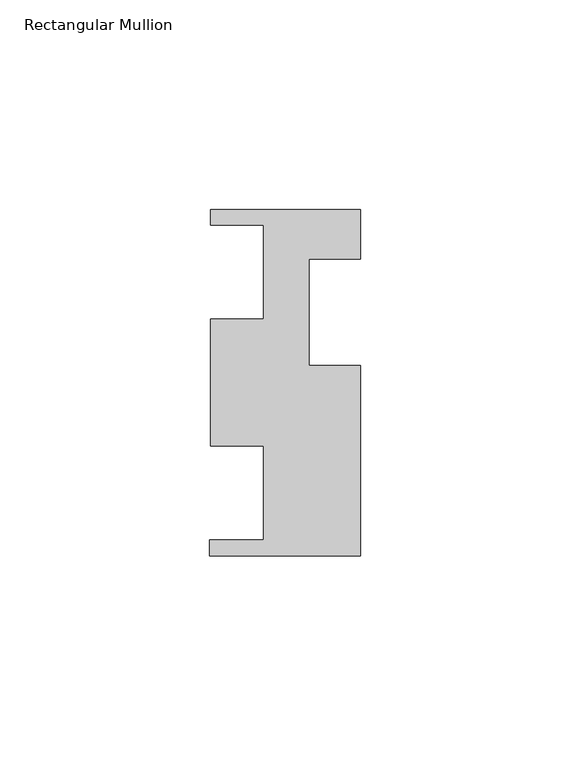
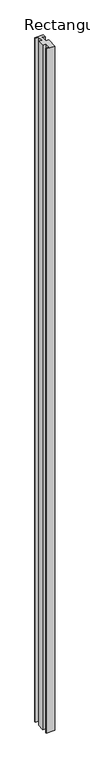
"""IFC4 building model written with IfcOpenShell, lengths in millimetres: member geometry, Rectangular Mullion."""

from ifc_helpers import new_model, si_unit, frame, origin, place, context, project, spatial, polyline, outline, extrude, source, transform, mapped, element, save


def rectangular_mullion_efdc0da9(model_context):
    return source(origin(), model_context, "Body", "SweptSolid", [
        extrude(outline(polyline([(-35.7632, 41.2876731), (0.0, 41.2876731), (0.0, 29.4512731), (-12.2174, 29.4512731), (-12.2174, 4.0512731), (0.0, 4.0512731), (0.0, -41.2623269), (-35.9918, -41.2623269), (-35.9918, -37.5285269), (-23.0632, -37.5285269), (-23.0632, -15.1511269), (-35.7632, -15.1511269), (-35.7632, 15.1764731), (-23.0632, 15.1764731), (-23.0632, 37.5538731), (-35.7632, 37.5538731), (-35.7632, 41.2876731)])), frame((0.0, 0.0, -3048.0), z_axis=(0.0, 0.0, 1.0), x_axis=(1.0, 0.0, 0.0)), (0.0, 0.0, 1.0), 3048.0),
    ])


if __name__ == "__main__":
    model = new_model("IFC4")
    model_context = context("Model", 3, world=origin())
    ifc_project = project(units=[si_unit("LENGTHUNIT", "METRE", prefix="MILLI")], contexts=[model_context])
    site = spatial("IfcSite", under=ifc_project)
    building = spatial("IfcBuilding", under=site)
    placement = place(None, origin())
    rectangular_mullion_shape = rectangular_mullion_efdc0da9(model_context)
    element("IfcMember", 1, ObjectType="Rectangular Mullion", at=placement, inside=building, context=model_context, shape_type="MappedRepresentation", body=[
        mapped(rectangular_mullion_shape, transform((0.0, 0.0, 0.0), x_axis=(1.0, 0.0, 0.0), y_axis=(0.0, 1.0, 0.0), z_axis=(0.0, 0.0, 1.0))),
    ])
    save(model, "model.ifc")
